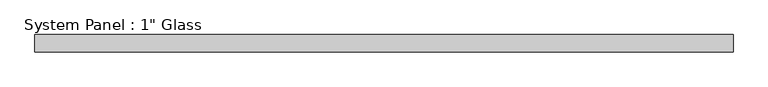
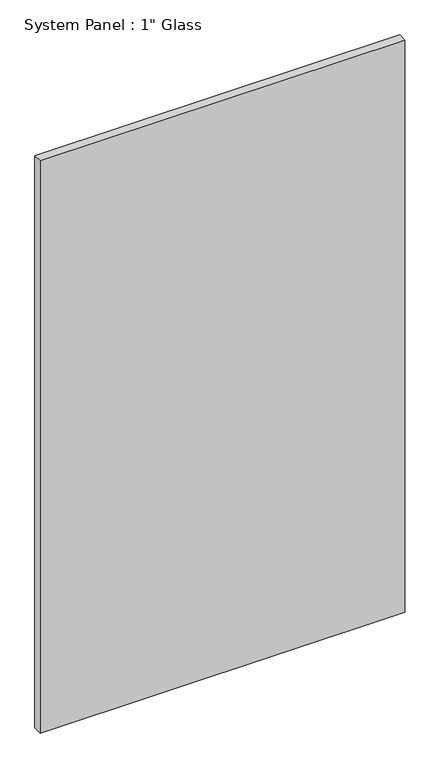
"""IFC4 building model written with IfcOpenShell, lengths in millimetres: plate geometry."""

from ifc_helpers import new_model, si_unit, origin, origin_with_axes, place, context, project, spatial, polyline, outline, extrude, source, transform, mapped, element, save


def plate_9347253f(model_context):
    return source(origin(), model_context, "Body", "SweptSolid", [
        extrude(outline(polyline([(511.175, -12.7), (-511.175, -12.7), (-511.175, 12.7), (511.175, 12.7), (511.175, -12.7)])), origin_with_axes(), (0.0, 0.0, 1.0), 1695.45),
    ])


if __name__ == "__main__":
    model = new_model("IFC4")
    model_context = context("Model", 3, world=origin())
    ifc_project = project(units=[si_unit("LENGTHUNIT", "METRE", prefix="MILLI")], contexts=[model_context])
    site = spatial("IfcSite", under=ifc_project)
    building = spatial("IfcBuilding", under=site)
    placement = place(None, origin())
    plate_shape = plate_9347253f(model_context)
    element("IfcPlate", 1, ObjectType="System Panel : 1\" Glass", at=placement, inside=building, context=model_context, shape_type="MappedRepresentation", body=[
        mapped(plate_shape, transform((0.0, 0.0, 0.0), x_axis=(1.0, 0.0, 0.0), y_axis=(0.0, 1.0, 0.0), z_axis=(0.0, 0.0, 1.0))),
    ])
    save(model, "model.ifc")
